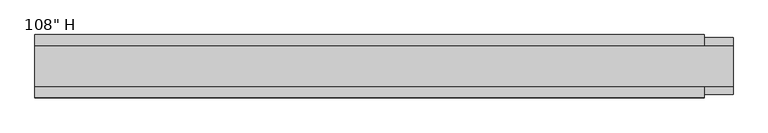
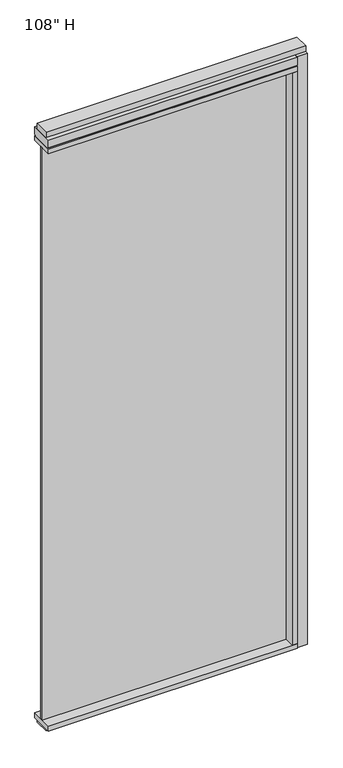
"""IFC4 building model written with IfcOpenShell, lengths in millimetres: furniture geometry."""

from ifc_helpers import new_model, si_unit, frame, origin, origin_with_axes, place, context, project, spatial, polyline, outline, extrude, source, transform, mapped, element, save


def furniture_7e744e73(model_context):
    return source(origin(), model_context, "Body", "SweptSolid", [
        extrude(outline(polyline([(387.5749771, -9.5977216), (-670.4620229, -9.5977216), (-670.4620229, 0.5622784), (387.5749771, 0.5622784), (387.5749771, -9.5977216)])), frame((0.0, 0.0, 31.75), z_axis=(0.0, 0.0, 1.0), x_axis=(1.0, 0.0, 0.0)), (0.0, 0.0, 1.0), 2622.55),
        extrude(outline(polyline([(-670.4620229, -55.3177216), (-670.4620229, 46.2822784), (409.7999771, 46.2822784), (409.7999771, -55.3177216), (-670.4620229, -55.3177216)])), frame((0.0, 0.0, 9.525), z_axis=(0.0, 0.0, 1.0), x_axis=(1.0, 0.0, 0.0)), (0.0, 0.0, 1.0), 22.225),
        extrude(outline(polyline([(456.6629771, 28.1847784), (456.6629771, -37.2202216), (-670.4620229, -37.2202216), (-670.4620229, 28.1847784), (456.6629771, 28.1847784)])), origin_with_axes(), (0.0, 0.0, 1.0), 9.525),
        extrude(outline(polyline([(-670.4620229, -37.0297216), (-670.4620229, 27.9942784), (456.6629771, 27.9942784), (456.6629771, -37.0297216), (-670.4620229, -37.0297216)])), frame((0.0, 0.0, 2717.8), z_axis=(0.0, 0.0, 1.0), x_axis=(1.0, 0.0, 0.0)), (0.0, 0.0, 1.0), 25.4),
        extrude(outline(polyline([(-55.3177216, 2681.478), (-55.3177216, 2717.8), (46.2822784, 2717.8), (46.2822784, 2681.478), (41.3292784, 2681.478), (41.3292784, 2676.525), (-50.3647216, 2676.525), (-50.3647216, 2681.478), (-55.3177216, 2681.478)])), frame((-670.4620229, 0.0, 0.0), z_axis=(1.0, 0.0, 0.0), x_axis=(0.0, 1.0, 0.0)), (0.0, 0.0, 1.0), 1080.262),
        extrude(outline(polyline([(409.7999771, 46.2822784), (409.7999771, -55.3177216), (-670.4620229, -55.3177216), (-670.4620229, 46.2822784), (409.7999771, 46.2822784)])), frame((0.0, 0.0, 2654.3), z_axis=(0.0, 0.0, 1.0), x_axis=(1.0, 0.0, 0.0)), (0.0, 0.0, 1.0), 22.225),
        extrude(outline(polyline([(387.5749771, -55.3177216), (387.5749771, 46.2822784), (409.7999771, 46.2822784), (409.7999771, -55.3177216), (387.5749771, -55.3177216)])), frame((0.0, 0.0, 31.75), z_axis=(0.0, 0.0, 1.0), x_axis=(1.0, 0.0, 0.0)), (0.0, 0.0, 1.0), 2622.55),
        extrude(outline(polyline([(456.6629771, -50.3647216), (409.7999771, -50.3647216), (409.7999771, 41.3292784), (456.6629771, 41.3292784), (456.6629771, -50.3647216)])), frame((0.0, 0.0, 9.525), z_axis=(0.0, 0.0, 1.0), x_axis=(1.0, 0.0, 0.0)), (0.0, 0.0, 1.0), 2708.275),
    ])


if __name__ == "__main__":
    model = new_model("IFC4")
    model_context = context("Model", 3, world=origin())
    ifc_project = project(units=[si_unit("LENGTHUNIT", "METRE", prefix="MILLI")], contexts=[model_context])
    site = spatial("IfcSite", under=ifc_project)
    building = spatial("IfcBuilding", under=site)
    placement = place(None, origin())
    furniture_shape = furniture_7e744e73(model_context)
    element("IfcFurniture", 1, ObjectType="108\" H", at=placement, inside=building, context=model_context, shape_type="MappedRepresentation", body=[
        mapped(furniture_shape, transform((0.0, 0.0, 0.0), x_axis=(1.0, 0.0, 0.0), y_axis=(0.0, 1.0, 0.0), z_axis=(0.0, 0.0, 1.0))),
    ])
    save(model, "model.ifc")
